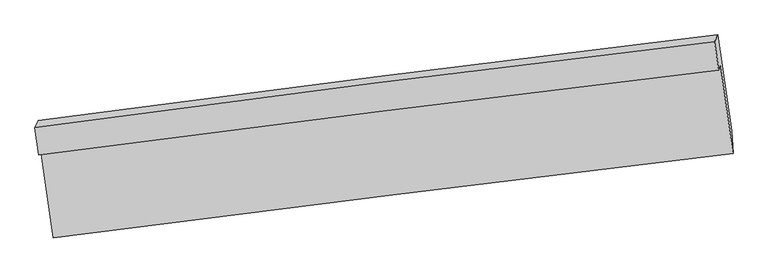
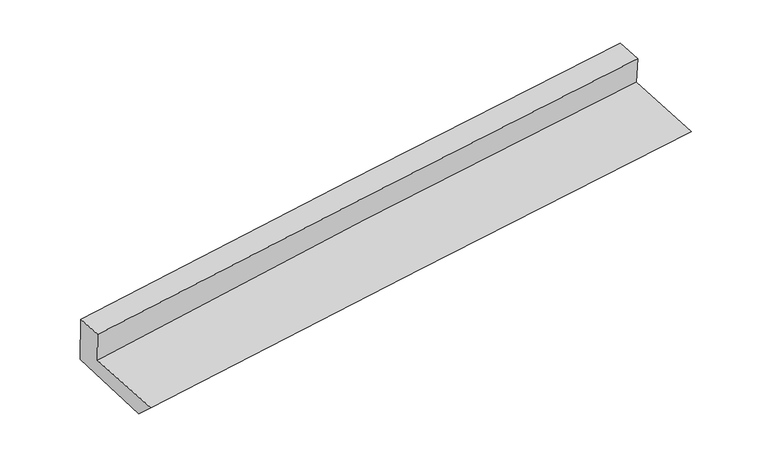
"""IFC4 building model written with IfcOpenShell, lengths in millimetres: proxy geometry."""

from ifc_helpers import new_model, si_unit, frame, origin, place, context, project, spatial, source, transform, mapped, element, save
from ifc_brep_helpers import plane_surface, spline_curve, spline_surface, advanced_brep


def generic_models_451ab5f1(model_context):
    return source(origin(), model_context, "Body", "AdvancedBrep", [
        advanced_brep(
        [(-2392.5014068, -1831.7451027, 1758.8253688), (-2307.8004625, -2441.8433358, 1687.7191404), (2436.9450042, -1851.0333101, 2051.5792285), (2348.4865063, -1226.8149934, 2133.7808671), (-2407.5522531, -1862.293381, 2006.5361761), (2336.2164247, -1267.7005038, 2363.071401), (-2434.292364, -1668.7945708, 2027.4777547), (2308.3514134, -1068.5179025, 2384.6071983), (-2411.2877948, -1621.5745742, 1647.9688031), (2330.0114982, -1022.0265716, 2023.7462978), (-2316.9992123, -2286.9516851, 1545.5013075), (2426.4898431, -1694.9621722, 1920.6298929)],
        [
            (0, 1),
            (1, 2, spline_curve(3, [(-2307.8004625, -2441.8433358, 1687.7191404), (-1517.516358142, -2340.654744121, 1751.746293067), (-726.913886437, -2240.818418936, 1814.086244554), (854.668144715, -2043.882631338, 1935.37183276), (1645.647495357, -1946.782281461, 1994.318577679), (2436.9450042, -1851.0333101, 2051.5792285)], [4, 2, 4], [0.0, 7.866634091866539, 15.73068569894252])),
            (2, 3),
            (3, 0, spline_curve(3, [(2348.4865063, -1226.8149934, 2133.7808671), (1556.956047472, -1320.160254475, 2078.398769918), (766.17322927, -1417.234839399, 2019.467142528), (-814.156566415, -1618.87575951, 1894.484307814), (-1603.703052383, -1723.444544378, 1828.430769532), (-2392.5014068, -1831.7451027, 1758.8253688)], [4, 2, 4], [0.0, 7.8640516070759805, 15.73068569894252])),
            (4, 0),
            (3, 5),
            (5, 4, spline_curve(3, [(2336.2164247, -1267.7005038, 2363.071401), (1545.140444466, -1362.768936331, 2304.620096541), (754.353248417, -1459.844095129, 2245.688132438), (-826.903167083, -1658.040402483, 2126.843372983), (-1617.372197067, -1759.162869631, 2066.930262465), (-2407.5522531, -1862.293381, 2006.5361761)], [4, 2, 4], [0.0, 7.863178623376268, 15.728939444862991])),
            (6, 4),
            (5, 7),
            (7, 6, spline_curve(3, [(2308.3514134, -1068.5179025, 2384.6071983), (1517.213105281, -1162.623107342, 2326.264501438), (726.488451256, -1259.690067047, 2267.337347603), (-854.393079778, -1459.780344096, 2148.294583912), (-1644.549684911, -1562.805607182, 2088.178589487), (-2434.292364, -1668.7945708, 2027.4777547)], [4, 2, 4], [0.0, 7.862900330297736, 15.728382767316948])),
            (8, 6),
            (7, 9),
            (9, 8, spline_curve(3, [(2330.0114982, -1022.0265716, 2023.7462978), (1538.651925769, -1116.252806098, 1968.510287241), (747.928624906, -1213.319588215, 1909.583237484), (-832.504890678, -1413.167056666, 1784.326497291), (-1622.214687706, -1515.949608731, 1717.994382053), (-2411.2877948, -1621.5745742, 1647.9688031)], [4, 2, 4], [0.0, 7.862643480321722, 15.727868983017666])),
            (10, 8),
            (9, 11),
            (11, 10, spline_curve(3, [(2426.4898431, -1694.9621722, 1920.6298929), (1635.070329556, -1790.503215095, 1865.25311479), (844.134632875, -1887.597841939, 1806.30972779), (-737.028703261, -2084.926659259, 1681.269209082), (-1527.256025267, -2185.161869794, 1615.169733937), (-2316.9992123, -2286.9516851, 1545.5013075)], [4, 2, 4], [0.0, 7.863660482554278, 15.72990332145729])),
            (1, 10),
            (11, 2),
        ],
        [
            spline_surface(3, 3, [[(-2392.5014068, -1831.7451027, 1758.8253688), (-1603.703052464, -1723.444544366, 1828.430769467), (-814.156566321, -1618.875759455, 1894.484307935), (766.173229177, -1417.234839454, 2019.467142407), (1556.956047373, -1320.160254578, 2078.398769992), (2348.4865063, -1226.8149934, 2133.7808671)], [(-2364.267758702, -2035.111180417, 1735.123292683), (-1574.974154321, -1929.181277664, 1802.869277378), (-785.075673047, -1826.189979286, 1867.684953442), (795.671534361, -1626.117436772, 1991.43537257), (1586.519863377, -1529.034263534, 2050.372039188), (2377.97267225, -1434.887765627, 2106.380320875)], [(-2336.034110598, -2238.477258083, 1711.421216517), (-1546.245256172, -2134.918010912, 1777.30778524), (-755.994779749, -2033.504199076, 1840.885598931), (825.169839568, -1835.000034049, 1963.403602713), (1616.08367943, -1737.90827251, 2022.34530846), (2407.45883825, -1642.960537873, 2078.979774725)], [(-2307.8004625, -2441.8433358, 1687.7191404), (-1517.516358029, -2340.654744211, 1751.746293151), (-726.913886475, -2240.818418907, 1814.086244438), (854.668144753, -2043.882631367, 1935.371832876), (1645.647495433, -1946.782281465, 1994.318577656), (2436.9450042, -1851.0333101, 2051.5792285)]], [4, 4], [4, 2, 4], [0.0, 2.0859250603946036], [0.0, 7.866634091866539, 15.73068569894252]),
            spline_surface(3, 3, [[(-2407.5522531, -1862.293381, 2006.5361761), (-1617.372197164, -1759.162869546, 2066.930262469), (-826.903167153, -1658.040402574, 2126.843373094), (754.353248487, -1459.844095038, 2245.688132327), (1545.140444396, -1362.768936279, 2304.620096655), (2336.2164247, -1267.7005038, 2363.071401)], [(-2402.535304321, -1852.110621563, 1923.965907004), (-1612.815815585, -1747.256761149, 1987.430431472), (-822.654300196, -1644.985521534, 2049.39035139), (758.293242063, -1445.641009843, 2170.281135703), (1549.078978741, -1348.566042386, 2229.212987788), (2340.306451919, -1254.072000341, 2286.641223054)], [(-2397.518355579, -1841.927862137, 1841.395637896), (-1608.259434043, -1735.350652762, 1907.930600464), (-818.405433278, -1631.930640496, 1971.937329639), (762.233235601, -1431.43792465, 2094.874139031), (1553.017513028, -1334.363148471, 2153.805878859), (2344.396479081, -1240.443496859, 2210.211045046)], [(-2392.5014068, -1831.7451027, 1758.8253688), (-1603.703052464, -1723.444544366, 1828.430769467), (-814.156566321, -1618.875759455, 1894.484307935), (766.173229177, -1417.234839454, 2019.467142407), (1556.956047373, -1320.160254578, 2078.398769992), (2348.4865063, -1226.8149934, 2133.7808671)]], [4, 4], [4, 2, 4], [0.0, 0.765195390562655], [0.0, 7.865760821486723, 15.728939444862991]),
            spline_surface(3, 3, [[(-2434.292364, -1668.7945708, 2027.4777547), (-1644.54968479, -1562.805607304, 2088.178589575), (-854.393079686, -1459.780344184, 2148.294583787), (726.488451164, -1259.690066959, 2267.337347728), (1517.213105212, -1162.623107324, 2326.264501386), (2308.3514134, -1068.5179025, 2384.6071983)], [(-2425.378993705, -1733.294174188, 2020.49722849), (-1635.490522253, -1628.258028039, 2081.095813863), (-845.2297755, -1525.86703031, 2141.144180224), (735.776716946, -1326.408076315, 2260.120942595), (1526.522218284, -1229.338383634, 2319.049699808), (2317.639750511, -1134.912102925, 2377.428599199)], [(-2416.465623395, -1797.793777612, 2013.51670231), (-1626.431359701, -1693.710448811, 2074.01303818), (-836.066471339, -1591.953716448, 2133.993776658), (745.064982704, -1393.126085682, 2252.90453746), (1535.831331323, -1296.053659969, 2311.834898233), (2326.928087589, -1201.306303375, 2370.250000101)], [(-2407.5522531, -1862.293381, 2006.5361761), (-1617.372197164, -1759.162869546, 2066.930262469), (-826.903167153, -1658.040402574, 2126.843373094), (754.353248487, -1459.844095038, 2245.688132327), (1545.140444396, -1362.768936279, 2304.620096655), (2336.2164247, -1267.7005038, 2363.071401)]], [4, 4], [4, 2, 4], [0.0, 0.663620449797577], [0.0, 7.865482437019212, 15.728382767316948]),
            spline_surface(3, 3, [[(-2411.2877948, -1621.5745742, 1647.9688031), (-1622.214687588, -1515.949608639, 1717.994381974), (-832.504890707, -1413.167056571, 1784.326497244), (747.928624935, -1213.31958831, 1909.583237532), (1538.651925692, -1116.252806156, 1968.510287172), (2330.0114982, -1022.0265716, 2023.7462978)], [(-2418.955984525, -1637.314573087, 1774.471786964), (-1629.659686647, -1531.568274881, 1841.389117839), (-839.800953703, -1428.704819089, 1905.649192735), (740.781900341, -1228.776414507, 2028.834607573), (1531.505652183, -1131.709573216, 2087.761691911), (2322.791469918, -1037.523681904, 2144.033264634)], [(-2426.624174275, -1653.054571913, 1900.974770836), (-1637.104685731, -1547.186941062, 1964.78385371), (-847.09701669, -1444.242581666, 2026.971888296), (733.635175757, -1244.233240762, 2148.085977686), (1524.35937872, -1147.166340263, 2207.013096647), (2315.571441682, -1053.020792196, 2264.320231466)], [(-2434.292364, -1668.7945708, 2027.4777547), (-1644.54968479, -1562.805607304, 2088.178589575), (-854.393079686, -1459.780344184, 2148.294583787), (726.488451164, -1259.690066959, 2267.337347728), (1517.213105212, -1162.623107324, 2326.264501386), (2308.3514134, -1068.5179025, 2384.6071983)]], [4, 4], [4, 2, 4], [0.0, 1.1958303964574926], [0.0, 7.865225502695944, 15.727868983017666]),
            spline_surface(3, 3, [[(-2316.9992123, -2286.9516851, 1545.5013075), (-1527.256025254, -2185.161869833, 1615.169734053), (-737.028703326, -2084.926659139, 1681.269208963), (844.13463294, -1887.597842058, 1806.309727909), (1635.070329509, -1790.503215081, 1865.253114766), (2426.4898431, -1694.9621722, 1920.6298929)], [(-2348.428739815, -2065.159314801, 1579.657139375), (-1558.908912713, -1962.091116103, 1649.444616701), (-768.854099127, -1861.006791637, 1715.621638401), (812.065963597, -1662.838424163, 1840.734231128), (1602.930861585, -1565.753078766, 1899.672172221), (2394.330394815, -1470.650305326, 1955.002027853)], [(-2379.858267285, -1843.366944499, 1613.812971225), (-1590.561800129, -1739.020362369, 1683.719499326), (-800.679494905, -1637.086924073, 1749.974067805), (779.997294278, -1438.079006205, 1875.158734313), (1570.791393616, -1341.002942472, 1934.091229717), (2362.170946485, -1246.338438474, 1989.374162847)], [(-2411.2877948, -1621.5745742, 1647.9688031), (-1622.214687588, -1515.949608639, 1717.994381974), (-832.504890707, -1413.167056571, 1784.326497244), (747.928624935, -1213.31958831, 1909.583237532), (1538.651925692, -1116.252806156, 1968.510287172), (2330.0114982, -1022.0265716, 2023.7462978)]], [4, 4], [4, 2, 4], [0.0, 2.2558786630986196], [0.0, 7.866242838903012, 15.72990332145729]),
            spline_surface(3, 3, [[(-2307.8004625, -2441.8433358, 1687.7191404), (-1517.516358029, -2340.654744211, 1751.746293151), (-726.913886475, -2240.818418907, 1814.086244438), (854.668144753, -2043.882631367, 1935.371832876), (1645.647495433, -1946.782281465, 1994.318577656), (2436.9450042, -1851.0333101, 2051.5792285)], [(-2310.866712432, -2390.212785544, 1640.313196084), (-1520.76291377, -2288.823786062, 1706.220773435), (-730.285492095, -2188.854498973, 1769.813899269), (851.156974146, -1991.787701587, 1892.351131209), (1642.121773445, -1894.689259347, 1951.296756711), (2433.459950486, -1799.009597477, 2007.929449985)], [(-2313.932962368, -2338.582235356, 1592.907251816), (-1524.009469513, -2236.992827982, 1660.695253768), (-733.657097706, -2136.890579073, 1725.541554132), (847.645803547, -1939.692771839, 1849.330429576), (1638.596051498, -1842.596237199, 1908.274935712), (2429.974896814, -1746.985884823, 1964.279671415)], [(-2316.9992123, -2286.9516851, 1545.5013075), (-1527.256025254, -2185.161869833, 1615.169734053), (-737.028703326, -2084.926659139, 1681.269208963), (844.13463294, -1887.597842058, 1806.309727909), (1635.070329509, -1790.503215081, 1865.253114766), (2426.4898431, -1694.9621722, 1920.6298929)]], [4, 4], [4, 2, 4], [0.0, 0.6692869061562214], [0.0, 7.867326074429034, 15.732069436901174]),
            plane_surface(frame((2364.4167816, -1355.1759089, 2146.2358143), z_axis=(0.9885801988858305, 0.1300716942156873, 0.07609562888046073), x_axis=(-0.05942612672010627, -0.12755258079601545, 0.990049935404938))),
            plane_surface(frame((-2378.4055823, -1952.2004416, 1779.0047584), z_axis=(-0.9888085009434918, -0.12842976058741148, -0.07591801536753348), x_axis=(-0.1366055067412486, 0.9839651611556757, 0.11467997715317249))),
        ],
        [
            (0, [[1, 2, 3, 4]]),
            (1, [[5, -4, 6, 7]]),
            (2, [[8, -7, 9, 10]]),
            (3, [[11, -10, 12, 13]]),
            (4, [[14, -13, 15, 16]]),
            (5, [[17, -16, 18, -2]]),
            (6, [[-12, -9, -6, -3, -18, -15]]),
            (7, [[-1, -5, -8, -11, -14, -17]]),
        ],
    ),
    ])


if __name__ == "__main__":
    model = new_model("IFC4")
    model_context = context("Model", 3, world=origin())
    ifc_project = project(units=[si_unit("LENGTHUNIT", "METRE", prefix="MILLI")], contexts=[model_context])
    site = spatial("IfcSite", under=ifc_project)
    building = spatial("IfcBuilding", under=site)
    placement = place(None, origin())
    generic_models_shape = generic_models_451ab5f1(model_context)
    element("IfcBuildingElementProxy", 1, Name="Generic Models", at=placement, inside=building, context=model_context, shape_type="MappedRepresentation", body=[
        mapped(generic_models_shape, transform((0.0, 0.0, 0.0), x_axis=(1.0, 0.0, 0.0), y_axis=(0.0, 1.0, 0.0), z_axis=(0.0, 0.0, 1.0))),
    ])
    save(model, "model.ifc")
